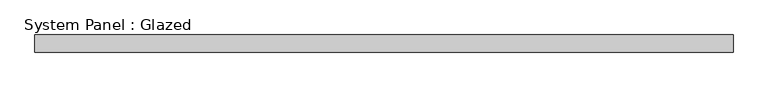
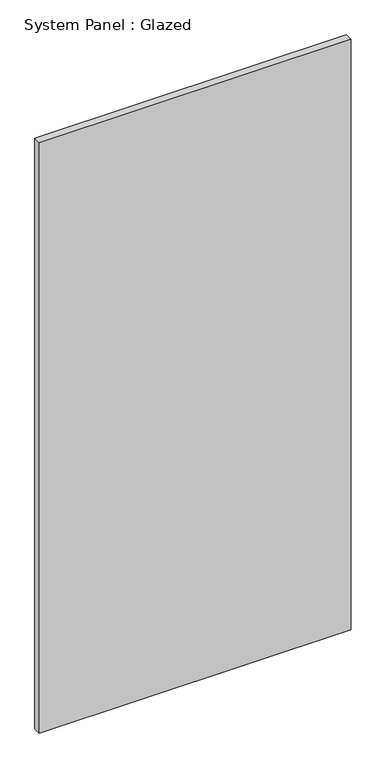
"""IFC4 building model written with IfcOpenShell, lengths in millimetres: plate geometry, System Panel : Glazed."""

from ifc_helpers import new_model, si_unit, origin, origin_with_axes, place, context, project, spatial, polyline, outline, extrude, source, transform, mapped, element, save


def system_panel_glazed_be29b8e7(model_context):
    return source(origin(), model_context, "Body", "SweptSolid", [
        extrude(outline(polyline([(500.0000002, 24.5), (-500.0000002, 24.5), (-500.0000002, 49.5), (500.0000002, 49.5), (500.0000002, 24.5)])), origin_with_axes(), (0.0, 0.0, 1.0), 2000.0),
    ])


if __name__ == "__main__":
    model = new_model("IFC4")
    model_context = context("Model", 3, world=origin())
    ifc_project = project(units=[si_unit("LENGTHUNIT", "METRE", prefix="MILLI")], contexts=[model_context])
    site = spatial("IfcSite", under=ifc_project)
    building = spatial("IfcBuilding", under=site)
    placement = place(None, origin())
    system_panel_glazed_shape = system_panel_glazed_be29b8e7(model_context)
    element("IfcPlate", 1, ObjectType="System Panel : Glazed", at=placement, inside=building, context=model_context, shape_type="MappedRepresentation", body=[
        mapped(system_panel_glazed_shape, transform((0.0, 0.0, 0.0), x_axis=(1.0, 0.0, 0.0), y_axis=(0.0, 1.0, 0.0), z_axis=(0.0, 0.0, 1.0))),
    ])
    save(model, "model.ifc")
